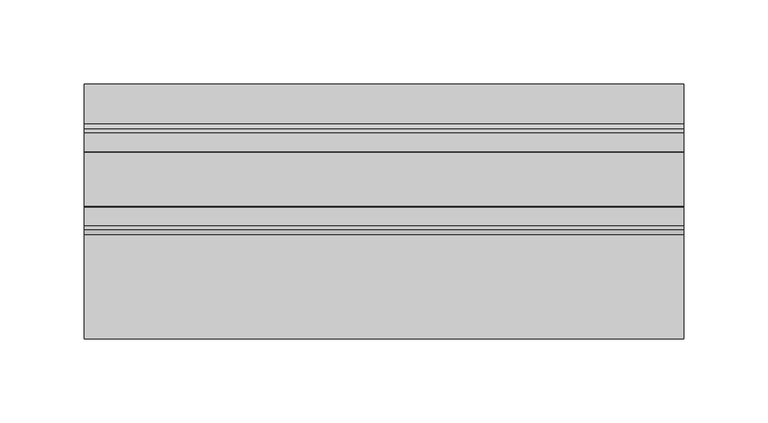
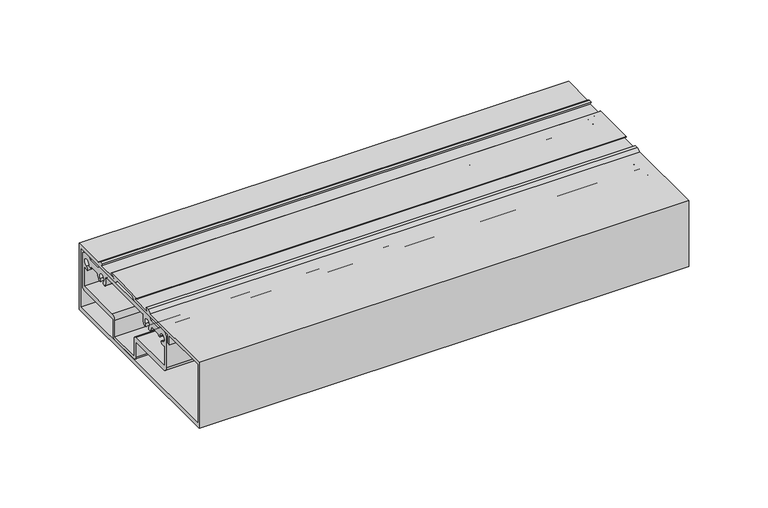
"""IFC4 building model written with IfcOpenShell, lengths in millimetres: plate geometry."""

from ifc_helpers import new_model, si_unit, point, frame, frame_2d, origin, place, context, project, spatial, polyline, circle_curve, trimmed, segment, composite_curve, outline, extrude, source, transform, mapped, element, save


def plate_45f122af(model_context):
    return source(origin(), model_context, "Body", "SweptSolid", [
        extrude(outline(composite_curve([segment(polyline([(-63.4339599, 347.3097153), (0.0660401, 347.3097153), (1.6408401, 345.7349153), (11.1785401, 345.7349153), (12.7660401, 347.3097153), (17.8435001, 347.3097153)]), True, "CONTINUOUS"), segment(trimmed(circle_curve(frame_2d((17.8435001, 344.1347153)), 3.175), [point((17.8435001, 347.3097153))], [point((21.0185001, 344.1347153))], False, "CARTESIAN"), True, "CONTINUOUS"), segment(polyline([(21.0185001, 344.1347153), (21.0185001, 320.6651153)]), True, "CONTINUOUS"), segment(trimmed(circle_curve(frame_2d((17.8435001, 320.6651153)), 3.175), [point((21.0185001, 320.6651153))], [point((17.8435001, 317.4901153))], False, "CARTESIAN"), True, "CONTINUOUS"), segment(polyline([(17.8435001, 317.4901153), (-17.4599599, 317.4901153), (-17.4599599, 305.6537153)]), True, "CONTINUOUS"), segment(trimmed(circle_curve(frame_2d((-19.8475599, 305.6537153)), 2.3876), [point((-17.4599599, 305.6537153))], [point((-19.8475599, 303.2661153))], False, "CARTESIAN"), True, "CONTINUOUS"), segment(polyline([(-19.8475599, 303.2661153), (-43.5203599, 303.2661153)]), True, "CONTINUOUS"), segment(trimmed(circle_curve(frame_2d((-43.5203599, 305.6537153)), 2.3876), [point((-43.5203599, 303.2661153))], [point((-45.9079599, 305.6537153))], False, "CARTESIAN"), True, "CONTINUOUS"), segment(polyline([(-45.9079599, 305.6537153), (-45.9079599, 317.4901153), (-81.2164999, 317.4901153)]), True, "CONTINUOUS"), segment(trimmed(circle_curve(frame_2d((-81.2164999, 320.6651153)), 3.175), [point((-81.2164999, 317.4901153))], [point((-84.3914999, 320.6651153))], False, "CARTESIAN"), True, "CONTINUOUS"), segment(polyline([(-84.3914999, 320.6651153), (-84.3914999, 344.1347153)]), True, "CONTINUOUS"), segment(trimmed(circle_curve(frame_2d((-81.2164999, 344.1347153)), 3.175), [point((-84.3914999, 344.1347153))], [point((-81.2164999, 347.3097153))], False, "CARTESIAN"), True, "CONTINUOUS"), segment(polyline([(-81.2164999, 347.3097153), (-76.1339599, 347.3097153), (-74.5591599, 345.7349153), (-65.0087599, 345.7349153), (-63.4339599, 347.3097153)]), True, "CONTINUOUS")], self_intersect=False), holes=[composite_curve([segment(polyline([(-66.513474, 340.6549153), (-73.6490099, 340.6549153)]), True, "CONTINUOUS"), segment(trimmed(circle_curve(frame_2d((-75.1940964, 340.9597153)), 1.5748635), [point((-73.6490099, 340.6549153))], [point((-76.7689599, 340.9597153))], False, "CARTESIAN"), True, "CONTINUOUS"), segment(trimmed(circle_curve(frame_2d((-79.3089599, 340.9597153)), 2.54), [point((-76.7689599, 340.9597153))], [point((-79.3089599, 338.4197153))], True, "CARTESIAN"), True, "CONTINUOUS"), segment(trimmed(circle_curve(frame_2d((-79.3089599, 336.8448518)), 1.5748635), [point((-79.3089599, 338.4197153))], [point((-79.3089599, 335.2699883))], False, "CARTESIAN"), True, "CONTINUOUS"), segment(trimmed(circle_curve(frame_2d((-79.3089599, 340.9597153)), 5.689727), [point((-79.3089599, 335.2699883))], [point((-81.6228999, 335.7617662))], False, "CARTESIAN"), True, "CONTINUOUS"), segment(polyline([(-81.6228999, 335.7617662), (-81.6228999, 321.4525153), (-46.6953599, 321.4525153)]), True, "CONTINUOUS"), segment(trimmed(circle_curve(frame_2d((-46.6953599, 318.2775153)), 3.175), [point((-46.6953599, 321.4525153))], [point((-43.5203599, 318.2775153))], False, "CARTESIAN"), True, "CONTINUOUS"), segment(polyline([(-43.5203599, 318.2775153), (-43.5203599, 305.6537153), (-19.8475599, 305.6537153), (-19.8475599, 318.2775153)]), True, "CONTINUOUS"), segment(trimmed(circle_curve(frame_2d((-16.6725599, 318.2775153)), 3.175), [point((-19.8475599, 318.2775153))], [point((-16.6725599, 321.4525153))], False, "CARTESIAN"), True, "CONTINUOUS"), segment(polyline([(-16.6725599, 321.4525153), (18.2499001, 321.4525153), (18.2499001, 335.7617662)]), True, "CONTINUOUS"), segment(trimmed(circle_curve(frame_2d((15.9359601, 340.9597153)), 5.689727), [point((18.2499001, 335.7617662))], [point((15.9359601, 335.2699883))], False, "CARTESIAN"), True, "CONTINUOUS"), segment(trimmed(circle_curve(frame_2d((15.9359601, 336.8448518)), 1.5748635), [point((15.9359601, 335.2699883))], [point((15.9359601, 338.4197153))], False, "CARTESIAN"), True, "CONTINUOUS"), segment(trimmed(circle_curve(frame_2d((15.9359601, 340.9597153)), 2.54), [point((15.9359601, 338.4197153))], [point((13.3959601, 340.9597153))], True, "CARTESIAN"), True, "CONTINUOUS"), segment(trimmed(circle_curve(frame_2d((11.8210966, 340.9597153)), 1.5748635), [point((13.3959601, 340.9597153))], [point((10.2760102, 340.6549153))], False, "CARTESIAN"), True, "CONTINUOUS"), segment(polyline([(10.2760102, 340.6549153), (3.1404743, 340.6549153)]), True, "CONTINUOUS"), segment(trimmed(circle_curve(frame_2d((3.1404743, 340.0199153)), 0.635), [point((3.1404743, 340.6549153))], [point((2.5125237, 340.1142708))], True, "CARTESIAN"), True, "CONTINUOUS"), segment(trimmed(circle_curve(frame_2d((-3.1140399, 340.9597153)), 5.689727), [point((2.5125237, 340.1142708))], [point((0.9092047, 336.9364708))], False, "CARTESIAN"), True, "CONTINUOUS"), segment(trimmed(circle_curve(frame_2d((-0.204392, 338.0500674)), 1.5748635), [point((0.9092047, 336.9364708))], [point((-1.3179886, 339.1636641))], False, "CARTESIAN"), True, "CONTINUOUS"), segment(trimmed(circle_curve(frame_2d((-3.1140399, 340.9597153)), 2.54), [point((-1.3179886, 339.1636641))], [point((-4.9100911, 339.1636641))], True, "CARTESIAN"), True, "CONTINUOUS"), segment(trimmed(circle_curve(frame_2d((-6.0236877, 338.0500674)), 1.5748635), [point((-4.9100911, 339.1636641))], [point((-7.1372844, 336.9364708))], False, "CARTESIAN"), True, "CONTINUOUS"), segment(trimmed(circle_curve(frame_2d((-3.1140399, 340.9597153)), 5.689727), [point((-7.1372844, 336.9364708))], [point((-8.3247823, 343.2447002))], False, "CARTESIAN"), True, "CONTINUOUS"), segment(trimmed(circle_curve(frame_2d((-8.9063254, 343.4997152)), 0.635), [point((-8.3247823, 343.2447002))], [point((-8.9063237, 344.1347152))], True, "CARTESIAN"), True, "CONTINUOUS"), segment(polyline([(-8.9063237, 344.1347152), (-54.4667283, 344.1348424)]), True, "CONTINUOUS"), segment(trimmed(circle_curve(frame_2d((-54.4667301, 343.4998424)), 0.635), [point((-54.4667283, 344.1348424))], [point((-55.0482676, 343.2448147))], True, "CARTESIAN"), True, "CONTINUOUS"), segment(trimmed(circle_curve(frame_2d((-60.2589599, 340.9597153)), 5.689727), [point((-55.0482676, 343.2448147))], [point((-56.2357153, 336.9364708))], False, "CARTESIAN"), True, "CONTINUOUS"), segment(trimmed(circle_curve(frame_2d((-57.349312, 338.0500674)), 1.5748635), [point((-56.2357153, 336.9364708))], [point((-58.4629086, 339.1636641))], False, "CARTESIAN"), True, "CONTINUOUS"), segment(trimmed(circle_curve(frame_2d((-60.2589599, 340.9597153)), 2.54), [point((-58.4629086, 339.1636641))], [point((-62.0550111, 339.1636641))], True, "CARTESIAN"), True, "CONTINUOUS"), segment(trimmed(circle_curve(frame_2d((-63.1686077, 338.0500674)), 1.5748635), [point((-62.0550111, 339.1636641))], [point((-64.2822044, 336.9364708))], False, "CARTESIAN"), True, "CONTINUOUS"), segment(trimmed(circle_curve(frame_2d((-60.2589599, 340.9597153)), 5.689727), [point((-64.2822044, 336.9364708))], [point((-65.8855234, 340.1142708))], False, "CARTESIAN"), True, "CONTINUOUS"), segment(trimmed(circle_curve(frame_2d((-66.513474, 340.0199153)), 0.635), [point((-65.8855234, 340.1142708))], [point((-66.513474, 340.6549153))], True, "CARTESIAN"), True, "CONTINUOUS")], self_intersect=False)]), frame((-177.8, 0.0, 0.0), z_axis=(1.0, 0.0, 0.0), x_axis=(0.0, 1.0, 0.0)), (0.0, 0.0, 1.0), 355.6),
        extrude(outline(composite_curve([segment(polyline([(-1.4427199, 352.0722153), (1.3131801, 350.4847153), (24.9174001, 350.4847153), (24.9174001, 299.6847153), (-126.2583199, 299.6847153), (-126.2583199, 350.4847153), (-64.5236199, 350.4847153), (-61.7677199, 352.0722153), (-59.257434, 352.0722153), (-60.6700126, 349.6084153), (-45.1673656, 349.6084153)]), True, "CONTINUOUS"), segment(trimmed(circle_curve(frame_2d((-45.1531754, 350.0604677)), 0.4522751), [point((-45.1673656, 349.6084153))], [point((-44.9964378, 350.4847153))], True, "CARTESIAN"), True, "CONTINUOUS"), segment(polyline([(-44.9964378, 350.4847153), (-47.6845476, 351.4778336)]), True, "CONTINUOUS"), segment(trimmed(circle_curve(frame_2d((-47.5894399, 351.7674153)), 0.3048), [point((-47.6845476, 351.4778336))], [point((-47.5894399, 352.0722153))], False, "CARTESIAN"), True, "CONTINUOUS"), segment(polyline([(-47.5894399, 352.0722153), (-15.6159199, 352.0722153)]), True, "CONTINUOUS"), segment(trimmed(circle_curve(frame_2d((-15.6159199, 351.7674153)), 0.3048), [point((-15.6159199, 352.0722153))], [point((-15.5212312, 351.4776963))], False, "CARTESIAN"), True, "CONTINUOUS"), segment(polyline([(-15.5212312, 351.4776963), (-18.2089219, 350.4847153)]), True, "CONTINUOUS"), segment(trimmed(circle_curve(frame_2d((-18.0522213, 350.0605753)), 0.4521613), [point((-18.2089219, 350.4847153))], [point((-18.0511075, 349.6084153))], True, "CARTESIAN"), True, "CONTINUOUS"), segment(polyline([(-18.0511075, 349.6084153), (-2.526599, 349.6084153), (-3.9486581, 352.0722153), (-1.4427199, 352.0722153)]), True, "CONTINUOUS")], self_intersect=False), holes=[polyline([(-123.8707199, 302.8597153), (22.5298001, 302.8597153), (22.5298001, 347.3097153), (-20.0151999, 347.3097153), (-22.4916999, 349.7862153), (-40.7492199, 349.7862153), (-43.2257199, 347.3097153), (-85.7707199, 347.3097153), (-85.7707199, 340.9597153), (-88.1583199, 340.9597153), (-88.1583199, 347.3097153), (-123.8707199, 347.3097153), (-123.8707199, 302.8597153)])]), frame((-177.8, 0.0, 0.0), z_axis=(1.0, 0.0, 0.0), x_axis=(0.0, 1.0, 0.0)), (0.0, 0.0, 1.0), 355.6),
    ])


if __name__ == "__main__":
    model = new_model("IFC4")
    model_context = context("Model", 3, world=origin())
    ifc_project = project(units=[si_unit("LENGTHUNIT", "METRE", prefix="MILLI")], contexts=[model_context])
    site = spatial("IfcSite", under=ifc_project)
    building = spatial("IfcBuilding", under=site)
    placement = place(None, origin())
    plate_shape = plate_45f122af(model_context)
    element("IfcPlate", 1, at=placement, inside=building, context=model_context, shape_type="MappedRepresentation", body=[
        mapped(plate_shape, transform((0.0, 0.0, 0.0), x_axis=(1.0, 0.0, 0.0), y_axis=(0.0, 1.0, 0.0), z_axis=(0.0, 0.0, 1.0))),
    ])
    save(model, "model.ifc")
